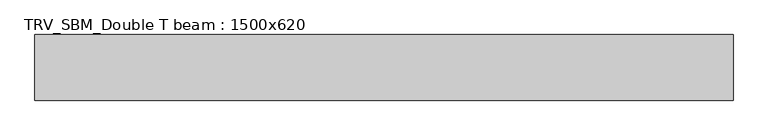
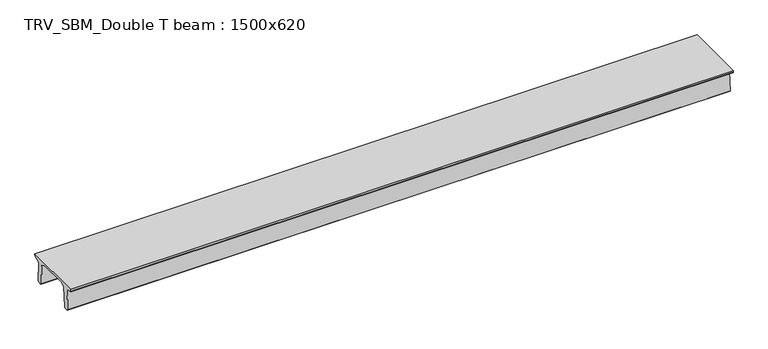
"""IFC4 building model written with IfcOpenShell, lengths in millimetres: beam geometry, TRV_SBM_Double T beam : 1500x620."""

from ifc_helpers import new_model, si_unit, frame, origin, place, context, project, spatial, polyline, outline, extrude, source, transform, mapped, element, save


def trv_sbm_double_t_beam_1500x620_f19957bb(model_context):
    return source(origin(), model_context, "Body", "SweptSolid", [
        extrude(outline(polyline([(-765.0, 215.0), (-765.0, 260.0), (735.0, 260.0), (735.0, 215.0), (728.2094488, 201.315559), (578.0626443, 140.6523122), (594.8277662, -339.4379646), (574.2657308, -360.0), (484.2657308, -360.0), (464.786332, -340.5206011), (447.8600761, 144.18395), (338.3237744, 210.0), (-367.4555014, 210.0), (-476.5389732, 151.9992892), (-507.0080378, -339.3850967), (-527.622941, -360.0), (-615.122941, -360.0), (-637.1143055, -338.0086356), (-606.1572167, 162.687806), (-761.3068466, 204.260024), (-765.0, 215.0)])), frame((-7979.0, 0.0, 0.0), z_axis=(1.0, 0.0, 0.0), x_axis=(0.0, 1.0, 0.0)), (0.0, 0.0, 1.0), 15958.0),
    ])


if __name__ == "__main__":
    model = new_model("IFC4")
    model_context = context("Model", 3, world=origin())
    ifc_project = project(units=[si_unit("LENGTHUNIT", "METRE", prefix="MILLI")], contexts=[model_context])
    site = spatial("IfcSite", under=ifc_project)
    building = spatial("IfcBuilding", under=site)
    placement = place(None, origin())
    trv_sbm_double_t_beam_1500x620_shape = trv_sbm_double_t_beam_1500x620_f19957bb(model_context)
    element("IfcBeam", 1, ObjectType="TRV_SBM_Double T beam : 1500x620", at=placement, inside=building, context=model_context, shape_type="MappedRepresentation", body=[
        mapped(trv_sbm_double_t_beam_1500x620_shape, transform((0.0, 0.0, 0.0), x_axis=(1.0, 0.0, 0.0), y_axis=(0.0, 1.0, 0.0), z_axis=(0.0, 0.0, 1.0))),
    ])
    save(model, "model.ifc")
